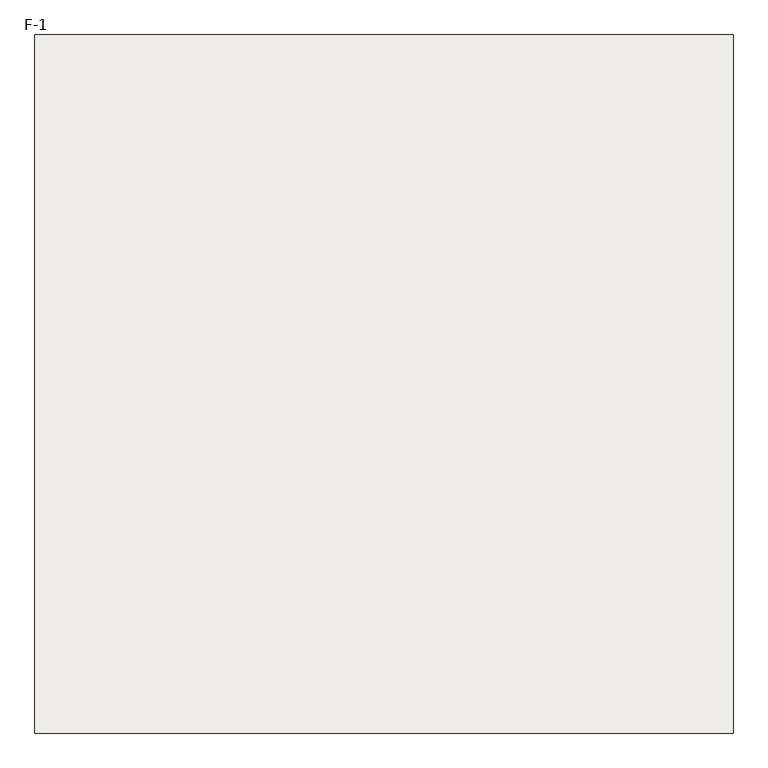
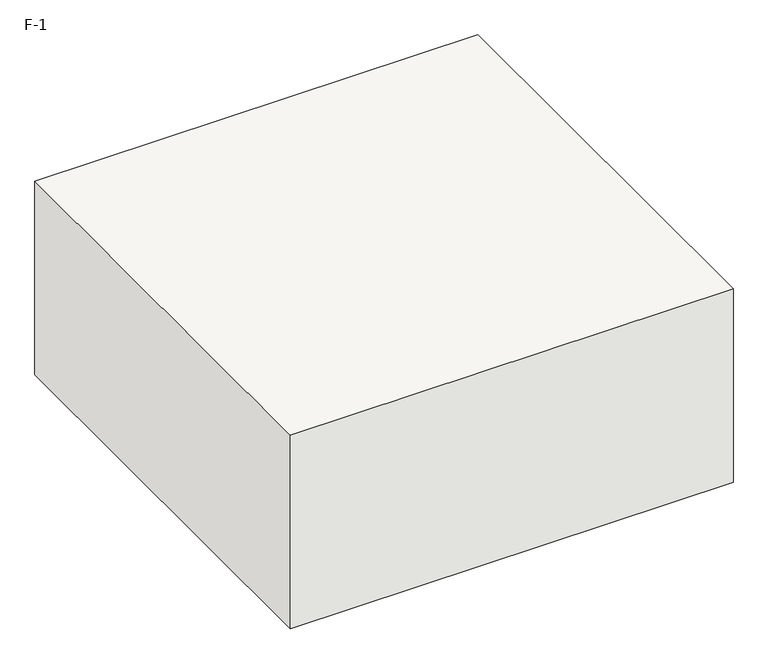
"""IFC4 building model written with IfcOpenShell, lengths in millimetres: slab geometry, F-1."""

from ifc_helpers import new_model, si_unit, frame, origin, place, context, project, spatial, polyline, outline, extrude, source, transform, mapped, element, save


def f_1_f804102d(model_context):
    return source(origin(), model_context, "Body", "SweptSolid", [
        extrude(outline(polyline([(650.0, 650.0), (650.0, -650.0), (-650.0, -650.0), (-650.0, 650.0), (650.0, 650.0)])), frame((0.0, 0.0, -600.0), z_axis=(0.0, 0.0, 1.0), x_axis=(1.0, 0.0, 0.0)), (0.0, 0.0, 1.0), 600.0),
    ])


if __name__ == "__main__":
    model = new_model("IFC4")
    model_context = context("Model", 3, world=origin())
    ifc_project = project(units=[si_unit("LENGTHUNIT", "METRE", prefix="MILLI")], contexts=[model_context])
    site = spatial("IfcSite", under=ifc_project)
    building = spatial("IfcBuilding", under=site)
    placement = place(None, origin())
    f_1_shape = f_1_f804102d(model_context)
    element("IfcSlab", 1, ObjectType="F-1", at=placement, inside=building, context=model_context, shape_type="MappedRepresentation", body=[
        mapped(f_1_shape, transform((0.0, 0.0, 0.0), x_axis=(1.0, 0.0, 0.0), y_axis=(0.0, 1.0, 0.0), z_axis=(0.0, 0.0, 1.0))),
    ])
    save(model, "model.ifc")
